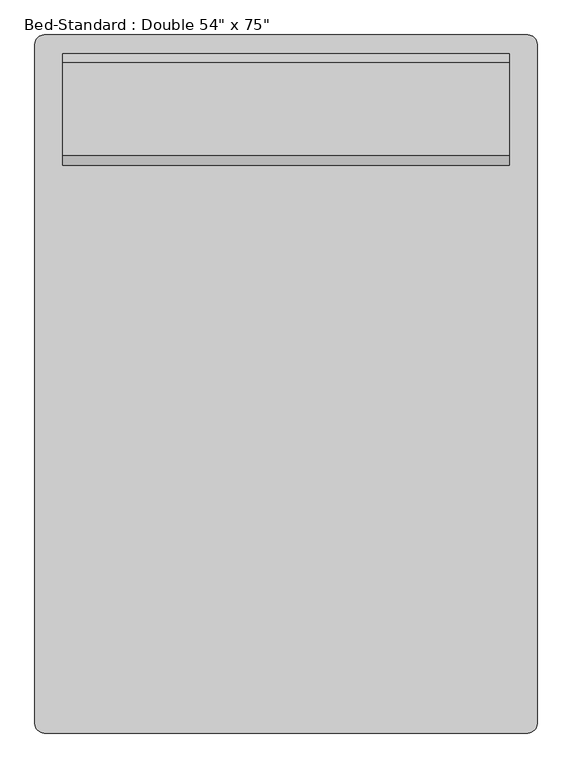
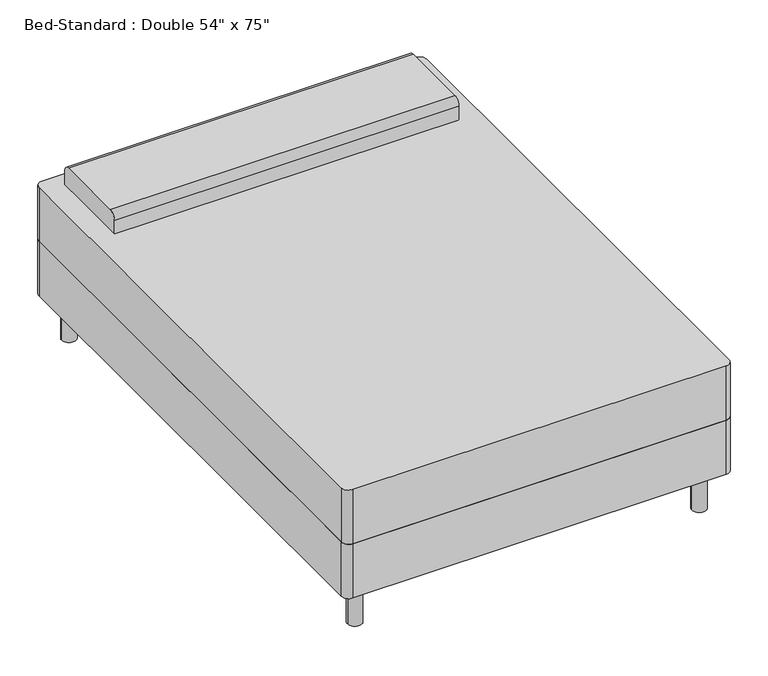
"""IFC4 building model written with IfcOpenShell, lengths in millimetres: furniture geometry."""

from ifc_helpers import new_model, si_unit, point, frame, frame_2d, origin, origin_with_axes, place, context, project, spatial, polyline, circle_curve, trimmed, segment, composite_curve, outline, extrude, source, transform, mapped, element, save


def furniture_0253826f(model_context):
    return source(origin(), model_context, "Body", "SweptSolid", [
        extrude(outline(composite_curve([segment(polyline([(-414.3114754, -972.695082), (-414.3114754, 881.504918)]), True, "CONTINUOUS"), segment(trimmed(circle_curve(frame_2d((-388.9114754, 881.504918)), 25.4), [point((-414.3114754, 881.504918))], [point((-388.9114754, 906.904918))], False, "CARTESIAN"), True, "CONTINUOUS"), segment(polyline([(-388.9114754, 906.904918), (931.8885246, 906.904918)]), True, "CONTINUOUS"), segment(trimmed(circle_curve(frame_2d((931.8885246, 881.504918)), 25.4), [point((931.8885246, 906.904918))], [point((957.2885246, 881.504918))], False, "CARTESIAN"), True, "CONTINUOUS"), segment(polyline([(957.2885246, 881.504918), (957.2885246, -972.695082)]), True, "CONTINUOUS"), segment(trimmed(circle_curve(frame_2d((931.8885246, -972.695082)), 25.4), [point((957.2885246, -972.695082))], [point((931.8885246, -998.095082))], False, "CARTESIAN"), True, "CONTINUOUS"), segment(polyline([(931.8885246, -998.095082), (-388.9114754, -998.095082)]), True, "CONTINUOUS"), segment(trimmed(circle_curve(frame_2d((-388.9114754, -972.695082)), 25.4), [point((-388.9114754, -998.095082))], [point((-414.3114754, -972.695082))], False, "CARTESIAN"), True, "CONTINUOUS")], self_intersect=False)), frame((0.0, 0.0, 152.4), z_axis=(0.0, 0.0, 1.0), x_axis=(1.0, 0.0, 0.0)), (0.0, 0.0, 1.0), 203.2),
        extrude(outline(composite_curve([segment(polyline([(551.304918, 558.8), (551.304918, 609.6)]), True, "CONTINUOUS"), segment(trimmed(circle_curve(frame_2d((576.704918, 609.6)), 25.4), [point((551.304918, 609.6))], [point((576.704918, 635.0))], False, "CARTESIAN"), True, "CONTINUOUS"), segment(polyline([(576.704918, 635.0), (830.704918, 635.0)]), True, "CONTINUOUS"), segment(trimmed(circle_curve(frame_2d((830.704918, 609.6)), 25.4), [point((830.704918, 635.0))], [point((856.104918, 609.6))], False, "CARTESIAN"), True, "CONTINUOUS"), segment(polyline([(856.104918, 609.6), (856.104918, 558.8), (551.304918, 558.8)]), True, "CONTINUOUS")], self_intersect=False)), frame((-338.1114754, 0.0, 0.0), z_axis=(1.0, 0.0, 0.0), x_axis=(0.0, 1.0, 0.0)), (0.0, 0.0, 1.0), 1219.2),
        extrude(outline(composite_curve([segment(trimmed(circle_curve(frame_2d((-338.1114754, 830.704918)), 25.4), [point((-363.5114754, 830.704918))], [point((-312.7114754, 830.704918))], False, "CARTESIAN"), True, "CONTINUOUS"), segment(trimmed(circle_curve(frame_2d((-338.1114754, 830.704918)), 25.4), [point((-312.7114754, 830.704918))], [point((-363.5114754, 830.704918))], False, "CARTESIAN"), True, "CONTINUOUS")], self_intersect=False)), origin_with_axes(), (0.0, 0.0, 1.0), 152.4),
        extrude(outline(composite_curve([segment(trimmed(circle_curve(frame_2d((881.0885246, 830.704918)), 25.4), [point((855.6885246, 830.704918))], [point((906.4885246, 830.704918))], False, "CARTESIAN"), True, "CONTINUOUS"), segment(trimmed(circle_curve(frame_2d((881.0885246, 830.704918)), 25.4), [point((906.4885246, 830.704918))], [point((855.6885246, 830.704918))], False, "CARTESIAN"), True, "CONTINUOUS")], self_intersect=False)), origin_with_axes(), (0.0, 0.0, 1.0), 152.4),
        extrude(outline(composite_curve([segment(trimmed(circle_curve(frame_2d((881.0885246, -921.895082)), 25.4), [point((855.6885246, -921.895082))], [point((906.4885246, -921.895082))], False, "CARTESIAN"), True, "CONTINUOUS"), segment(trimmed(circle_curve(frame_2d((881.0885246, -921.895082)), 25.4), [point((906.4885246, -921.895082))], [point((855.6885246, -921.895082))], False, "CARTESIAN"), True, "CONTINUOUS")], self_intersect=False)), origin_with_axes(), (0.0, 0.0, 1.0), 152.4),
        extrude(outline(composite_curve([segment(trimmed(circle_curve(frame_2d((-338.1114754, -921.895082)), 25.4), [point((-363.5114754, -921.895082))], [point((-312.7114754, -921.895082))], False, "CARTESIAN"), True, "CONTINUOUS"), segment(trimmed(circle_curve(frame_2d((-338.1114754, -921.895082)), 25.4), [point((-312.7114754, -921.895082))], [point((-363.5114754, -921.895082))], False, "CARTESIAN"), True, "CONTINUOUS")], self_intersect=False)), origin_with_axes(), (0.0, 0.0, 1.0), 152.4),
        extrude(outline(composite_curve([segment(polyline([(-388.9114754, 906.904918), (931.8885246, 906.904918)]), True, "CONTINUOUS"), segment(trimmed(circle_curve(frame_2d((931.8885246, 881.504918)), 25.4), [point((931.8885246, 906.904918))], [point((957.2885246, 881.504918))], False, "CARTESIAN"), True, "CONTINUOUS"), segment(polyline([(957.2885246, 881.504918), (957.2885246, -972.695082)]), True, "CONTINUOUS"), segment(trimmed(circle_curve(frame_2d((931.8885246, -972.695082)), 25.4), [point((957.2885246, -972.695082))], [point((931.8885246, -998.095082))], False, "CARTESIAN"), True, "CONTINUOUS"), segment(polyline([(931.8885246, -998.095082), (-388.9114754, -998.095082)]), True, "CONTINUOUS"), segment(trimmed(circle_curve(frame_2d((-388.9114754, -972.695082)), 25.4), [point((-388.9114754, -998.095082))], [point((-414.3114754, -972.695082))], False, "CARTESIAN"), True, "CONTINUOUS"), segment(polyline([(-414.3114754, -972.695082), (-414.3114754, 881.504918)]), True, "CONTINUOUS"), segment(trimmed(circle_curve(frame_2d((-388.9114754, 881.504918)), 25.4), [point((-414.3114754, 881.504918))], [point((-388.9114754, 906.904918))], False, "CARTESIAN"), True, "CONTINUOUS")], self_intersect=False)), frame((0.0, 0.0, 355.6), z_axis=(0.0, 0.0, 1.0), x_axis=(1.0, 0.0, 0.0)), (0.0, 0.0, 1.0), 203.2),
    ])


if __name__ == "__main__":
    model = new_model("IFC4")
    model_context = context("Model", 3, world=origin())
    ifc_project = project(units=[si_unit("LENGTHUNIT", "METRE", prefix="MILLI")], contexts=[model_context])
    site = spatial("IfcSite", under=ifc_project)
    building = spatial("IfcBuilding", under=site)
    placement = place(None, origin())
    furniture_shape = furniture_0253826f(model_context)
    element("IfcFurniture", 1, ObjectType="Bed-Standard : Double 54\" x 75\"", at=placement, inside=building, context=model_context, shape_type="MappedRepresentation", body=[
        mapped(furniture_shape, transform((0.0, 0.0, 0.0), x_axis=(1.0, 0.0, 0.0), y_axis=(0.0, 1.0, 0.0), z_axis=(0.0, 0.0, 1.0))),
    ])
    save(model, "model.ifc")
